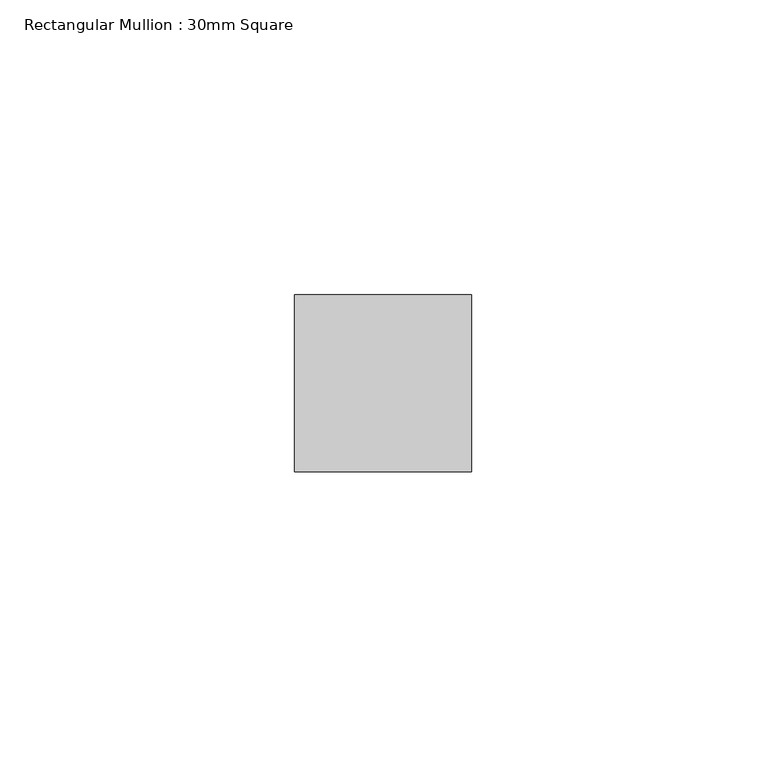
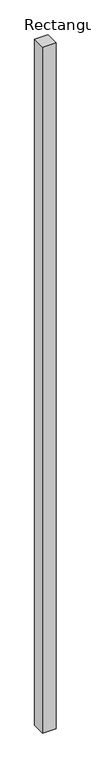
"""IFC4 building model written with IfcOpenShell, lengths in millimetres: member geometry, Rectangular Mullion : 30mm Square."""

import ifcopenshell
import ifcopenshell.guid

model = None  # the IFC model being written
_history = None  # IfcOwnerHistory: only IFC2X3 demands one
_inside = {}  # id of a spatial element -> (the spatial element, [elements in it])
_under = {}  # id of a project, library or spatial element -> (it, [spatial elements below it])
_declared = {}  # id of a project -> (the project, [libraries it declares])
_typed = {}  # id of a type object -> (the type object, [elements of that type])
_made_of = {}  # id of a material, layer set ... -> (it, [elements and type objects made of it])


def new_model(schema):
    """Start an empty IFC model of exactly this schema.

    Asked for "IFC4X3", IfcOpenShell would pick the latest addendum, in which some entities
    have other attributes; the version numbers below select the first issue.
    IFC2X3 requires an IfcOwnerHistory on every rooted entity: one is made here for all.
    """
    global model, _history
    if schema == "IFC4X3":
        model = ifcopenshell.file(schema_version=(4, 3, 0, 0))
    else:
        model = ifcopenshell.file(schema=schema)
    _inside.clear()
    _under.clear()
    _declared.clear()
    _typed.clear()
    _made_of.clear()
    _history = None
    if model.schema == "IFC2X3":
        org = make("IfcOrganization", Name="unknown")
        user = make(
            "IfcPersonAndOrganization",
            ThePerson=make("IfcPerson", FamilyName="unknown"),
            TheOrganization=org,
        )
        app = make(
            "IfcApplication",
            ApplicationDeveloper=org,
            Version="unknown",
            ApplicationFullName="unknown",
            ApplicationIdentifier="unknown",
        )
        _history = make(
            "IfcOwnerHistory",
            OwningUser=user,
            OwningApplication=app,
            ChangeAction="ADDED",
            CreationDate=0,
        )
    return model


def make(cls, **values):
    """One entity of the class cls with the attributes given. An attribute that is None is left unset."""
    return model.create_entity(
        cls, **{name: value for name, value in values.items() if value is not None}
    )


def rooted(cls, **values):
    """An entity with a GlobalId (a new one), such as an element, a storey or a relation."""
    return make(cls, GlobalId=ifcopenshell.guid.new(), OwnerHistory=_history, **values)


def si_unit(unit_type, name, prefix=None):
    """IfcSIUnit, for example si_unit("LENGTHUNIT", "METRE", prefix="MILLI")."""
    return make("IfcSIUnit", UnitType=unit_type, Prefix=prefix, Name=name)


def assignment(units):
    """IfcUnitAssignment: the units of a project."""
    return None if units is None else make("IfcUnitAssignment", Units=units)


def point(xyz):
    """IfcCartesianPoint."""
    return None if xyz is None else make("IfcCartesianPoint", Coordinates=xyz)


def direction(xyz):
    """IfcDirection."""
    return None if xyz is None else make("IfcDirection", DirectionRatios=xyz)


def frame(location, z_axis=None, x_axis=None):
    """IfcAxis2Placement3D, a coordinate frame: its origin and axes. An axis left out is left unset."""
    return make(
        "IfcAxis2Placement3D",
        Location=point(location),
        Axis=direction(z_axis),
        RefDirection=direction(x_axis),
    )


def origin():
    """The frame at (0, 0, 0) with its axes left unset."""
    return frame((0.0, 0.0, 0.0))


def place(relative_to, where):
    """IfcLocalPlacement: puts the frame where relative to a parent placement (None: the world)."""
    return make(
        "IfcLocalPlacement", PlacementRelTo=relative_to, RelativePlacement=where
    )


def context(
    kind, dimensions, precision=None, world=None, true_north=None, identifier=None
):
    """IfcGeometricRepresentationContext, for example the 3D "Model" context."""
    return make(
        "IfcGeometricRepresentationContext",
        ContextIdentifier=identifier,
        ContextType=kind,
        CoordinateSpaceDimension=dimensions,
        Precision=precision,
        WorldCoordinateSystem=world,
        TrueNorth=true_north,
    )


def project(units=None, contexts=None):
    """IfcProject with its units and contexts."""
    return rooted(
        "IfcProject",
        Name="project",
        RepresentationContexts=contexts,
        UnitsInContext=assignment(units),
    )


def spatial(cls, under=None, at=None, **own):
    """A site, building, storey or space (cls), placed at a placement, below another one or the project."""
    s = rooted(cls, ObjectPlacement=at, **own)
    if under is not None:
        _under.setdefault(under.id(), (under, []))[1].append(s)
    return s


def polyline(points):
    """IfcPolyline through the points."""
    return make("IfcPolyline", Points=[point(p) for p in points])


def outline(outer, holes=None, kind="AREA"):
    """IfcArbitraryClosedProfileDef: a profile drawn as a closed curve; with holes, ...WithVoids."""
    if holes is None:
        return make("IfcArbitraryClosedProfileDef", ProfileType=kind, OuterCurve=outer)
    return make(
        "IfcArbitraryProfileDefWithVoids",
        ProfileType=kind,
        OuterCurve=outer,
        InnerCurves=holes,
    )


def extrude(swept, where, along, depth):
    """IfcExtrudedAreaSolid: the profile swept, set in the frame where, extruded along a direction by depth."""
    return make(
        "IfcExtrudedAreaSolid",
        SweptArea=swept,
        Position=where,
        ExtrudedDirection=direction(along),
        Depth=depth,
    )


def shape(context_of_items, identifier, shape_type, items):
    """IfcShapeRepresentation: the items that make up one representation, for example the "Body"."""
    return make(
        "IfcShapeRepresentation",
        ContextOfItems=context_of_items,
        RepresentationIdentifier=identifier,
        RepresentationType=shape_type,
        Items=items,
    )


def source(mapping_origin, context_of_items, identifier, shape_type, items):
    """IfcRepresentationMap: a shape defined once, which mapped items show again and again."""
    return make(
        "IfcRepresentationMap",
        MappingOrigin=mapping_origin,
        MappedRepresentation=shape(context_of_items, identifier, shape_type, items),
    )


def transform(
    local_origin,
    x_axis=None,
    y_axis=None,
    z_axis=None,
    scale=None,
    scale2=None,
    scale3=None,
    uniform=True,
):
    """IfcCartesianTransformationOperator3D, or its non-uniform kind. x_axis, y_axis, z_axis: its Axis1, 2, 3."""
    if uniform:
        return make(
            "IfcCartesianTransformationOperator3D",
            Axis1=direction(x_axis),
            Axis2=direction(y_axis),
            LocalOrigin=point(local_origin),
            Scale=scale,
            Axis3=direction(z_axis),
        )
    return make(
        "IfcCartesianTransformationOperator3DnonUniform",
        Axis1=direction(x_axis),
        Axis2=direction(y_axis),
        LocalOrigin=point(local_origin),
        Scale=scale,
        Axis3=direction(z_axis),
        Scale2=scale2,
        Scale3=scale3,
    )


def mapped(mapping_source, mapping_target):
    """IfcMappedItem: shows the shape of a source again, moved by a transform."""
    return make(
        "IfcMappedItem", MappingSource=mapping_source, MappingTarget=mapping_target
    )


def made_of(thing, what):
    """Note that an element or type object is made of a material, layer set ...; save() writes the relation."""
    if what is not None:
        _made_of.setdefault(what.id(), (what, []))[1].append(thing)
    return thing


def element(
    cls,
    number,
    at=None,
    inside=None,
    cuts=None,
    type_object=None,
    material=None,
    context=None,
    identifier="Body",
    shape_type=None,
    held_by="IfcProductDefinitionShape",
    body=None,
    shapes=None,
    **own,
):
    """One element of the class cls, such as IfcWall. Its Tag is "e" and its number.

    at: its placement. inside: the storey or other place that contains it. cuts: it is an
    opening in that element (IfcRelVoidsElement). A single representation is given by context,
    identifier, shape_type and body (its items); several are given by shapes. held_by: the class
    of the entity that holds the representations. save() writes the other relations.
    """
    e = rooted(cls, Tag="e%d" % number, ObjectPlacement=at, **own)
    if body is not None:
        shapes = [shape(context, identifier, shape_type, body)]
    if shapes is not None:
        e.Representation = make(held_by, Representations=shapes)
    if inside is not None:
        _inside.setdefault(inside.id(), (inside, []))[1].append(e)
    if cuts is not None:
        rooted(
            "IfcRelVoidsElement", RelatingBuildingElement=cuts, RelatedOpeningElement=e
        )
    if type_object is not None:
        _typed.setdefault(type_object.id(), (type_object, []))[1].append(e)
    return made_of(e, material)


def aggregate(whole, parts):
    """IfcRelAggregates: a whole, such as a stair, and the parts it consists of."""
    return rooted("IfcRelAggregates", RelatingObject=whole, RelatedObjects=parts)


def save(model, path):
    """Write the relations noted so far, then the file.

    IfcRelAggregates (storeys below a building ...), IfcRelContainedInSpatialStructure (elements
    in a storey), IfcRelDefinesByType, IfcRelAssociatesMaterial and IfcRelDeclares: one each for
    every whole, place, type object, material and project.
    """
    for whole, parts in _under.values():
        aggregate(whole, parts)
    for where, things in _inside.values():
        rooted(
            "IfcRelContainedInSpatialStructure",
            RelatedElements=things,
            RelatingStructure=where,
        )
    for kind, things in _typed.values():
        rooted("IfcRelDefinesByType", RelatedObjects=things, RelatingType=kind)
    for what, things in _made_of.values():
        rooted("IfcRelAssociatesMaterial", RelatedObjects=things, RelatingMaterial=what)
    for by, libraries in _declared.values():
        rooted("IfcRelDeclares", RelatingContext=by, RelatedDefinitions=libraries)
    model.write(path)


def rectangular_mullion_30mm_square_3718ee05(model_context):
    return source(origin(), model_context, "Body", "SweptSolid", [
        extrude(outline(polyline([(15.0, 15.0), (15.0, -15.0), (-15.0, -15.0), (-15.0, 15.0), (15.0, 15.0)])), frame((0.0, 0.0, -1610.724757), z_axis=(0.0, 0.0, 1.0), x_axis=(1.0, 0.0, 0.0)), (0.0, 0.0, 1.0), 1610.724757),
    ])


if __name__ == "__main__":
    model = new_model("IFC4")
    model_context = context("Model", 3, world=origin())
    ifc_project = project(units=[si_unit("LENGTHUNIT", "METRE", prefix="MILLI")], contexts=[model_context])
    site = spatial("IfcSite", under=ifc_project)
    building = spatial("IfcBuilding", under=site)
    placement = place(None, origin())
    rectangular_mullion_30mm_square_shape = rectangular_mullion_30mm_square_3718ee05(model_context)
    element("IfcMember", 1, ObjectType="Rectangular Mullion : 30mm Square", at=placement, inside=building, context=model_context, shape_type="MappedRepresentation", body=[
        mapped(rectangular_mullion_30mm_square_shape, transform((0.0, 0.0, 0.0), x_axis=(1.0, 0.0, 0.0), y_axis=(0.0, 1.0, 0.0), z_axis=(0.0, 0.0, 1.0))),
    ])
    save(model, "model.ifc")
